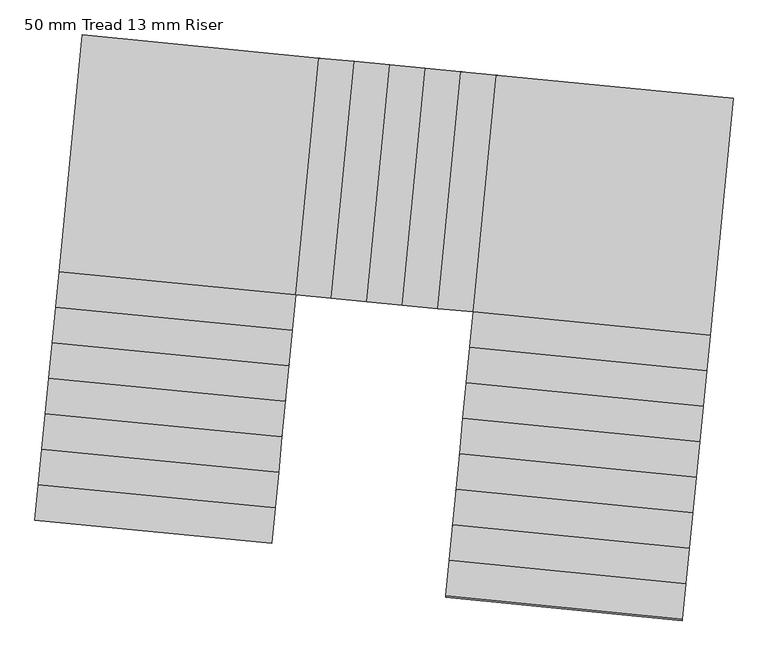
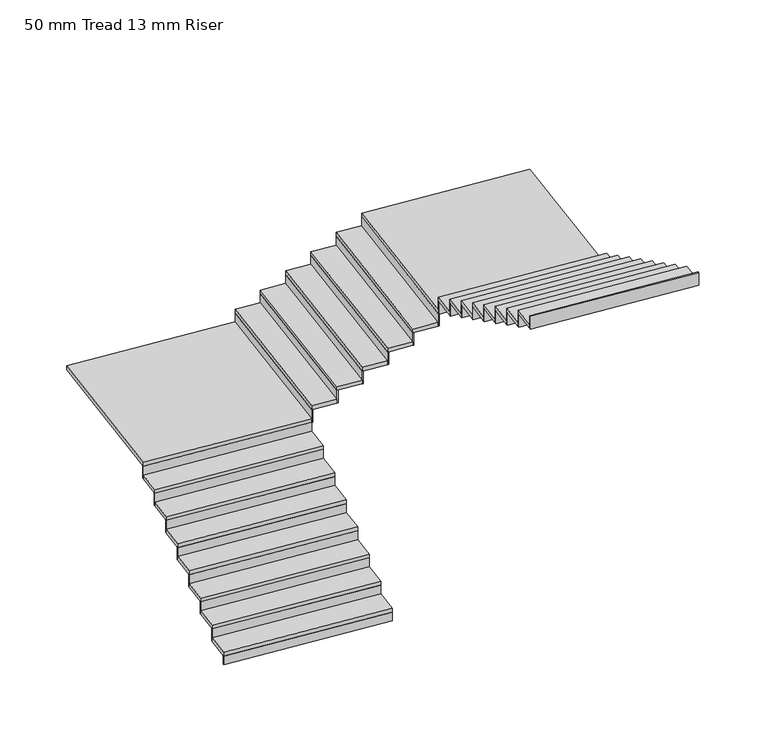
"""IFC4 building model written with IfcOpenShell, lengths in millimetres: stair flight geometry, 50 mm Tread 13 mm Riser."""

from ifc_helpers import new_model, si_unit, frame, origin, place, context, project, spatial, polyline, outline, extrude, source, transform, mapped, element, save


def stair_flight_50_mm_tread_13_mm_riser_e6933bd7(model_context):
    return source(origin(), model_context, "Body", "SweptSolid", [
        extrude(outline(polyline([(-285257.1657913, 23425.5739007), (-285258.376983, 23413.1327185), (-287248.9661359, 23606.9233899), (-287247.7549442, 23619.3645721), (-285257.1657913, 23425.5739007)])), frame((0.0, 0.0, 8680.0), z_axis=(0.0, 0.0, 1.0), x_axis=(1.0, 0.0, 0.0)), (0.0, 0.0, 1.0), 116.6666667),
        extrude(outline(polyline([(-287219.8975352, 23905.5117628), (-285229.3083823, 23711.7210915), (-285258.376983, 23413.1327185), (-287248.9661359, 23606.9233899), (-287219.8975352, 23905.5117628)])), frame((0.0, 0.0, 8796.6666667), z_axis=(0.0, 0.0, 1.0), x_axis=(1.0, 0.0, 0.0)), (0.0, 0.0, 1.0), 50.0),
        extrude(outline(polyline([(-285228.0971906, 23724.1622737), (-285229.3083823, 23711.7210915), (-287219.8975352, 23905.5117628), (-287218.6863435, 23917.952945), (-285228.0971906, 23724.1622737)])), frame((0.0, 0.0, 8796.6666667), z_axis=(0.0, 0.0, 1.0), x_axis=(1.0, 0.0, 0.0)), (0.0, 0.0, 1.0), 166.6666667),
        extrude(outline(polyline([(-287190.8289345, 24204.1001358), (-285200.2397815, 24010.3094644), (-285229.3083823, 23711.7210915), (-287219.8975352, 23905.5117628), (-287190.8289345, 24204.1001358)])), frame((0.0, 0.0, 8963.3333333), z_axis=(0.0, 0.0, 1.0), x_axis=(1.0, 0.0, 0.0)), (0.0, 0.0, 1.0), 50.0),
        extrude(outline(polyline([(-285199.0285899, 24022.7506466), (-285200.2397815, 24010.3094644), (-287190.8289345, 24204.1001358), (-287189.6177428, 24216.541318), (-285199.0285899, 24022.7506466)])), frame((0.0, 0.0, 8963.3333333), z_axis=(0.0, 0.0, 1.0), x_axis=(1.0, 0.0, 0.0)), (0.0, 0.0, 1.0), 166.6666667),
        extrude(outline(polyline([(-287161.7603338, 24502.6885087), (-285171.1711808, 24308.8978373), (-285200.2397815, 24010.3094644), (-287190.8289345, 24204.1001358), (-287161.7603338, 24502.6885087)])), frame((0.0, 0.0, 9130.0), z_axis=(0.0, 0.0, 1.0), x_axis=(1.0, 0.0, 0.0)), (0.0, 0.0, 1.0), 50.0),
        extrude(outline(polyline([(-285169.9599891, 24321.3390195), (-285171.1711808, 24308.8978373), (-287161.7603338, 24502.6885087), (-287160.5491421, 24515.1296909), (-285169.9599891, 24321.3390195)])), frame((0.0, 0.0, 9130.0), z_axis=(0.0, 0.0, 1.0), x_axis=(1.0, 0.0, 0.0)), (0.0, 0.0, 1.0), 166.6666667),
        extrude(outline(polyline([(-287132.691733, 24801.2768816), (-285142.1025801, 24607.4862103), (-285171.1711808, 24308.8978373), (-287161.7603338, 24502.6885087), (-287132.691733, 24801.2768816)])), frame((0.0, 0.0, 9296.6666667), z_axis=(0.0, 0.0, 1.0), x_axis=(1.0, 0.0, 0.0)), (0.0, 0.0, 1.0), 50.0),
        extrude(outline(polyline([(-285140.8913884, 24619.9273925), (-285142.1025801, 24607.4862103), (-287132.691733, 24801.2768816), (-287131.4805414, 24813.7180639), (-285140.8913884, 24619.9273925)])), frame((0.0, 0.0, 9296.6666667), z_axis=(0.0, 0.0, 1.0), x_axis=(1.0, 0.0, 0.0)), (0.0, 0.0, 1.0), 166.6666667),
        extrude(outline(polyline([(-287103.6231323, 25099.8652546), (-285113.0339794, 24906.0745832), (-285142.1025801, 24607.4862103), (-287132.691733, 24801.2768816), (-287103.6231323, 25099.8652546)])), frame((0.0, 0.0, 9463.3333333), z_axis=(0.0, 0.0, 1.0), x_axis=(1.0, 0.0, 0.0)), (0.0, 0.0, 1.0), 50.0),
        extrude(outline(polyline([(-285111.8227877, 24918.5157654), (-285113.0339794, 24906.0745832), (-287103.6231323, 25099.8652546), (-287102.4119406, 25112.3064368), (-285111.8227877, 24918.5157654)])), frame((0.0, 0.0, 9463.3333333), z_axis=(0.0, 0.0, 1.0), x_axis=(1.0, 0.0, 0.0)), (0.0, 0.0, 1.0), 166.6666667),
        extrude(outline(polyline([(-287074.5545316, 25398.4536275), (-285083.9653787, 25204.6629561), (-285113.0339794, 24906.0745832), (-287103.6231323, 25099.8652546), (-287074.5545316, 25398.4536275)])), frame((0.0, 0.0, 9630.0), z_axis=(0.0, 0.0, 1.0), x_axis=(1.0, 0.0, 0.0)), (0.0, 0.0, 1.0), 50.0),
        extrude(outline(polyline([(-285082.754187, 25217.1041384), (-285083.9653787, 25204.6629562), (-287074.5545316, 25398.4536275), (-287073.3433399, 25410.8948097), (-285082.754187, 25217.1041384)])), frame((0.0, 0.0, 9630.0), z_axis=(0.0, 0.0, 1.0), x_axis=(1.0, 0.0, 0.0)), (0.0, 0.0, 1.0), 166.6666667),
        extrude(outline(polyline([(-287045.4859309, 25697.0420005), (-285054.896778, 25503.2513291), (-285083.9653787, 25204.6629562), (-287074.5545316, 25398.4536275), (-287045.4859309, 25697.0420005)])), frame((0.0, 0.0, 9796.6666667), z_axis=(0.0, 0.0, 1.0), x_axis=(1.0, 0.0, 0.0)), (0.0, 0.0, 1.0), 50.0),
        extrude(outline(polyline([(-285053.6855863, 25515.6925113), (-285054.896778, 25503.2513291), (-287045.4859309, 25697.0420005), (-287044.2747392, 25709.4831827), (-285053.6855863, 25515.6925113)])), frame((0.0, 0.0, 9796.6666667), z_axis=(0.0, 0.0, 1.0), x_axis=(1.0, 0.0, 0.0)), (0.0, 0.0, 1.0), 166.6666667),
        extrude(outline(polyline([(-284861.1061066, 27493.840482), (-285054.896778, 25503.2513291), (-287045.4859309, 25697.0420005), (-286851.6952596, 27687.6311534), (-284861.1061066, 27493.840482)])), frame((0.0, 0.0, 9963.3333333), z_axis=(0.0, 0.0, 1.0), x_axis=(1.0, 0.0, 0.0)), (0.0, 0.0, 1.0), 50.0),
        extrude(outline(polyline([(-285042.4555958, 25502.0401374), (-285054.896778, 25503.2513291), (-284861.1061066, 27493.840482), (-284848.6649244, 27492.6292903), (-285042.4555958, 25502.0401374)])), frame((0.0, 0.0, 9963.3333333), z_axis=(0.0, 0.0, 1.0), x_axis=(1.0, 0.0, 0.0)), (0.0, 0.0, 1.0), 166.6666667),
        extrude(outline(polyline([(-284562.5177337, 27464.7718813), (-284756.3084051, 25474.1827284), (-285054.896778, 25503.2513291), (-284861.1061066, 27493.840482), (-284562.5177337, 27464.7718813)])), frame((0.0, 0.0, 10130.0), z_axis=(0.0, 0.0, 1.0), x_axis=(1.0, 0.0, 0.0)), (0.0, 0.0, 1.0), 50.0),
        extrude(outline(polyline([(-284743.8672229, 25472.9715367), (-284756.3084051, 25474.1827284), (-284562.5177337, 27464.7718813), (-284550.0765515, 27463.5606896), (-284743.8672229, 25472.9715367)])), frame((0.0, 0.0, 10130.0), z_axis=(0.0, 0.0, 1.0), x_axis=(1.0, 0.0, 0.0)), (0.0, 0.0, 1.0), 166.6666667),
        extrude(outline(polyline([(-284263.9293608, 27435.7032806), (-284457.7200321, 25445.1141277), (-284756.3084051, 25474.1827284), (-284562.5177337, 27464.7718813), (-284263.9293608, 27435.7032806)])), frame((0.0, 0.0, 10296.6666667), z_axis=(0.0, 0.0, 1.0), x_axis=(1.0, 0.0, 0.0)), (0.0, 0.0, 1.0), 50.0),
        extrude(outline(polyline([(-284445.2788499, 25443.902936), (-284457.7200321, 25445.1141277), (-284263.9293608, 27435.7032806), (-284251.4881786, 27434.4920889), (-284445.2788499, 25443.902936)])), frame((0.0, 0.0, 10296.6666667), z_axis=(0.0, 0.0, 1.0), x_axis=(1.0, 0.0, 0.0)), (0.0, 0.0, 1.0), 166.6666667),
        extrude(outline(polyline([(-283965.3409878, 27406.6346799), (-284159.1316592, 25416.045527), (-284457.7200321, 25445.1141277), (-284263.9293608, 27435.7032806), (-283965.3409878, 27406.6346799)])), frame((0.0, 0.0, 10463.3333333), z_axis=(0.0, 0.0, 1.0), x_axis=(1.0, 0.0, 0.0)), (0.0, 0.0, 1.0), 50.0),
        extrude(outline(polyline([(-284146.690477, 25414.8343353), (-284159.1316592, 25416.045527), (-283965.3409878, 27406.6346799), (-283952.8998056, 27405.4234882), (-284146.690477, 25414.8343353)])), frame((0.0, 0.0, 10463.3333333), z_axis=(0.0, 0.0, 1.0), x_axis=(1.0, 0.0, 0.0)), (0.0, 0.0, 1.0), 166.6666667),
        extrude(outline(polyline([(-283666.7526149, 27377.5660792), (-283860.5432863, 25386.9769263), (-284159.1316592, 25416.045527), (-283965.3409878, 27406.6346799), (-283666.7526149, 27377.5660792)])), frame((0.0, 0.0, 10630.0), z_axis=(0.0, 0.0, 1.0), x_axis=(1.0, 0.0, 0.0)), (0.0, 0.0, 1.0), 50.0),
        extrude(outline(polyline([(-283848.1021041, 25385.7657346), (-283860.5432863, 25386.9769263), (-283666.7526149, 27377.5660792), (-283654.3114327, 27376.3548875), (-283848.1021041, 25385.7657346)])), frame((0.0, 0.0, 10630.0), z_axis=(0.0, 0.0, 1.0), x_axis=(1.0, 0.0, 0.0)), (0.0, 0.0, 1.0), 166.6666667),
        extrude(outline(polyline([(-283368.164242, 27348.4974785), (-283561.9549133, 25357.9083256), (-283860.5432863, 25386.9769263), (-283666.7526149, 27377.5660792), (-283368.164242, 27348.4974785)])), frame((0.0, 0.0, 10796.6666667), z_axis=(0.0, 0.0, 1.0), x_axis=(1.0, 0.0, 0.0)), (0.0, 0.0, 1.0), 50.0),
        extrude(outline(polyline([(-283549.5137311, 25356.6971339), (-283561.9549133, 25357.9083256), (-283368.164242, 27348.4974785), (-283355.7230598, 27347.2862868), (-283549.5137311, 25356.6971339)])), frame((0.0, 0.0, 10796.6666667), z_axis=(0.0, 0.0, 1.0), x_axis=(1.0, 0.0, 0.0)), (0.0, 0.0, 1.0), 166.6666667),
        extrude(outline(polyline([(-281571.3657604, 25164.1176542), (-283561.9549133, 25357.9083256), (-283368.164242, 27348.4974785), (-281377.5750891, 27154.7068071), (-281571.3657604, 25164.1176542)])), frame((0.0, 0.0, 10963.3333333), z_axis=(0.0, 0.0, 1.0), x_axis=(1.0, 0.0, 0.0)), (0.0, 0.0, 1.0), 50.0),
        extrude(outline(polyline([(-283563.166105, 25345.4671433), (-283561.9549133, 25357.9083256), (-281571.3657604, 25164.1176542), (-281572.5769521, 25151.676472), (-283563.166105, 25345.4671433)])), frame((0.0, 0.0, 10963.3333333), z_axis=(0.0, 0.0, 1.0), x_axis=(1.0, 0.0, 0.0)), (0.0, 0.0, 1.0), 166.6666667),
        extrude(outline(polyline([(-281600.4343611, 24865.5292812), (-283591.023514, 25059.3199526), (-283561.9549133, 25357.9083256), (-281571.3657604, 25164.1176542), (-281600.4343611, 24865.5292812)])), frame((0.0, 0.0, 11130.0), z_axis=(0.0, 0.0, 1.0), x_axis=(1.0, 0.0, 0.0)), (0.0, 0.0, 1.0), 50.0),
        extrude(outline(polyline([(-283592.2347057, 25046.8787704), (-283591.023514, 25059.3199526), (-281600.4343611, 24865.5292812), (-281601.6455528, 24853.088099), (-283592.2347057, 25046.8787704)])), frame((0.0, 0.0, 11130.0), z_axis=(0.0, 0.0, 1.0), x_axis=(1.0, 0.0, 0.0)), (0.0, 0.0, 1.0), 166.6666667),
        extrude(outline(polyline([(-281629.5029618, 24566.9409083), (-283620.0921147, 24760.7315797), (-283591.023514, 25059.3199526), (-281600.4343611, 24865.5292812), (-281629.5029618, 24566.9409083)])), frame((0.0, 0.0, 11296.6666667), z_axis=(0.0, 0.0, 1.0), x_axis=(1.0, 0.0, 0.0)), (0.0, 0.0, 1.0), 50.0),
        extrude(outline(polyline([(-283621.3033064, 24748.2903975), (-283620.0921147, 24760.7315797), (-281629.5029618, 24566.9409083), (-281630.7141535, 24554.4997261), (-283621.3033064, 24748.2903975)])), frame((0.0, 0.0, 11296.6666667), z_axis=(0.0, 0.0, 1.0), x_axis=(1.0, 0.0, 0.0)), (0.0, 0.0, 1.0), 166.6666667),
        extrude(outline(polyline([(-281658.5715625, 24268.3525354), (-283649.1607155, 24462.1432067), (-283620.0921147, 24760.7315797), (-281629.5029618, 24566.9409083), (-281658.5715625, 24268.3525354)])), frame((0.0, 0.0, 11463.3333333), z_axis=(0.0, 0.0, 1.0), x_axis=(1.0, 0.0, 0.0)), (0.0, 0.0, 1.0), 50.0),
        extrude(outline(polyline([(-283650.3719071, 24449.7020245), (-283649.1607155, 24462.1432067), (-281658.5715625, 24268.3525354), (-281659.7827542, 24255.9113532), (-283650.3719071, 24449.7020245)])), frame((0.0, 0.0, 11463.3333333), z_axis=(0.0, 0.0, 1.0), x_axis=(1.0, 0.0, 0.0)), (0.0, 0.0, 1.0), 166.6666667),
        extrude(outline(polyline([(-281687.6401632, 23969.7641624), (-283678.2293162, 24163.5548338), (-283649.1607155, 24462.1432067), (-281658.5715625, 24268.3525354), (-281687.6401632, 23969.7641624)])), frame((0.0, 0.0, 11630.0), z_axis=(0.0, 0.0, 1.0), x_axis=(1.0, 0.0, 0.0)), (0.0, 0.0, 1.0), 50.0),
        extrude(outline(polyline([(-283679.4405079, 24151.1136516), (-283678.2293162, 24163.5548338), (-281687.6401632, 23969.7641624), (-281688.8513549, 23957.3229802), (-283679.4405079, 24151.1136516)])), frame((0.0, 0.0, 11630.0), z_axis=(0.0, 0.0, 1.0), x_axis=(1.0, 0.0, 0.0)), (0.0, 0.0, 1.0), 166.6666667),
        extrude(outline(polyline([(-281716.7087639, 23671.1757895), (-283707.2979169, 23864.9664609), (-283678.2293162, 24163.5548338), (-281687.6401632, 23969.7641624), (-281716.7087639, 23671.1757895)])), frame((0.0, 0.0, 11796.6666667), z_axis=(0.0, 0.0, 1.0), x_axis=(1.0, 0.0, 0.0)), (0.0, 0.0, 1.0), 50.0),
        extrude(outline(polyline([(-283708.5091086, 23852.5252787), (-283707.2979169, 23864.9664609), (-281716.7087639, 23671.1757895), (-281717.9199556, 23658.7346073), (-283708.5091086, 23852.5252787)])), frame((0.0, 0.0, 11796.6666667), z_axis=(0.0, 0.0, 1.0), x_axis=(1.0, 0.0, 0.0)), (0.0, 0.0, 1.0), 166.6666667),
        extrude(outline(polyline([(-281745.7773647, 23372.5874166), (-283736.3665176, 23566.3780879), (-283707.2979169, 23864.9664609), (-281716.7087639, 23671.1757895), (-281745.7773647, 23372.5874166)])), frame((0.0, 0.0, 11963.3333333), z_axis=(0.0, 0.0, 1.0), x_axis=(1.0, 0.0, 0.0)), (0.0, 0.0, 1.0), 50.0),
        extrude(outline(polyline([(-283737.5777093, 23553.9369057), (-283736.3665176, 23566.3780879), (-281745.7773647, 23372.5874166), (-281746.9885564, 23360.1462344), (-283737.5777093, 23553.9369057)])), frame((0.0, 0.0, 11963.3333333), z_axis=(0.0, 0.0, 1.0), x_axis=(1.0, 0.0, 0.0)), (0.0, 0.0, 1.0), 166.6666667),
        extrude(outline(polyline([(-281774.8459654, 23073.9990436), (-283765.4351183, 23267.789715), (-283736.3665176, 23566.3780879), (-281745.7773647, 23372.5874166), (-281774.8459654, 23073.9990436)])), frame((0.0, 0.0, 12130.0), z_axis=(0.0, 0.0, 1.0), x_axis=(1.0, 0.0, 0.0)), (0.0, 0.0, 1.0), 50.0),
        extrude(outline(polyline([(-283766.64631, 23255.3485328), (-283765.4351183, 23267.789715), (-281774.8459654, 23073.9990436), (-281776.0571571, 23061.5578614), (-283766.64631, 23255.3485328)])), frame((0.0, 0.0, 12130.0), z_axis=(0.0, 0.0, 1.0), x_axis=(1.0, 0.0, 0.0)), (0.0, 0.0, 1.0), 166.6666667),
        extrude(outline(polyline([(-283795.7149107, 22956.7601599), (-283794.503719, 22969.2013421), (-281803.9145661, 22775.4106707), (-281805.1257578, 22762.9694885), (-283795.7149107, 22956.7601599)])), frame((0.0, 0.0, 12296.6666667), z_axis=(0.0, 0.0, 1.0), x_axis=(1.0, 0.0, 0.0)), (0.0, 0.0, 1.0), 166.6666667),
        extrude(outline(polyline([(-281803.9145661, 22775.4106707), (-283794.503719, 22969.2013421), (-283765.4351183, 23267.789715), (-281774.8459654, 23073.9990436), (-281803.9145661, 22775.4106707)])), frame((0.0, 0.0, 12296.6666667), z_axis=(0.0, 0.0, 1.0), x_axis=(1.0, 0.0, 0.0)), (0.0, 0.0, 1.0), 50.0),
    ])


if __name__ == "__main__":
    model = new_model("IFC4")
    model_context = context("Model", 3, world=origin())
    ifc_project = project(units=[si_unit("LENGTHUNIT", "METRE", prefix="MILLI")], contexts=[model_context])
    site = spatial("IfcSite", under=ifc_project)
    building = spatial("IfcBuilding", under=site)
    placement = place(None, origin())
    stair_flight_50_mm_tread_13_mm_riser_shape = stair_flight_50_mm_tread_13_mm_riser_e6933bd7(model_context)
    element("IfcStairFlight", 1, ObjectType="50 mm Tread 13 mm Riser", at=placement, inside=building, context=model_context, shape_type="MappedRepresentation", body=[
        mapped(stair_flight_50_mm_tread_13_mm_riser_shape, transform((0.0, 0.0, 0.0), x_axis=(1.0, 0.0, 0.0), y_axis=(0.0, 1.0, 0.0), z_axis=(0.0, 0.0, 1.0))),
    ])
    save(model, "model.ifc")
